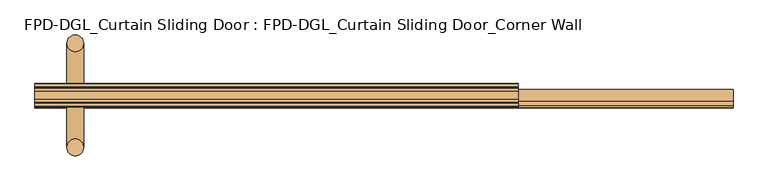
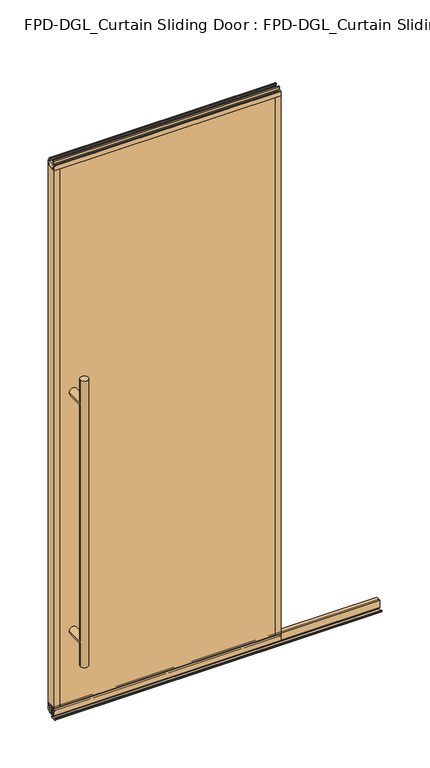
"""IFC4 building model written with IfcOpenShell, lengths in millimetres: door geometry, FPD-DGL_Curtain Sliding Door : FPD-DGL_Curtain Sliding Door_Corner Wall."""

from ifc_helpers import new_model, si_unit, point, frame, frame_2d, origin, place, context, project, spatial, polyline, circle_curve, ellipse_curve, trimmed, segment, composite_curve, outline, extrude, source, transform, mapped, element, save
from ifc_brep_helpers import plane_surface, cylinder_surface, advanced_brep


def fpd_dgl_curtain_sliding_door_fpd_dgl_curtain_sliding_door_3f9371f9(model_context):
    return source(origin(), model_context, "Body", "SolidModel", [
        advanced_brep(
        [(-364.33125, -28.778049, 1473.2), (-396.08125, -28.778049, 1473.2), (-364.33125, 168.4469566, 1473.2), (-396.08125, 168.4469566, 1473.2), (-364.33125, -28.778049, 254.0), (-396.08125, -28.778049, 254.0), (-364.33125, 168.4469566, 254.0), (-396.08125, 168.4469566, 254.0), (-364.33125, -28.778049, 1371.6), (-396.08125, -28.778049, 1371.6), (-396.08125, -28.778049, 355.6), (-364.33125, -28.778049, 355.6), (-364.33125, 168.4469566, 1371.6), (-364.33125, 168.4469566, 355.6), (-396.08125, 168.4469566, 355.6), (-396.08125, 168.4469566, 1371.6)],
        [
            (0, 1, circle_curve(frame((-380.20625, -28.778049, 1473.2), z_axis=(0.0, 0.0, 1.0), x_axis=(-1.0, 0.0, 0.0)), 15.875)),
            (1, 0, circle_curve(frame((-380.20625, -28.778049, 1473.2), z_axis=(0.0, 0.0, 1.0), x_axis=(-1.0, 0.0, 0.0)), 15.875)),
            (2, 3, circle_curve(frame((-380.20625, 168.4469566, 1473.2), z_axis=(0.0, 0.0, 1.0), x_axis=(-1.0, 0.0, 0.0)), 15.875)),
            (3, 2, circle_curve(frame((-380.20625, 168.4469566, 1473.2), z_axis=(0.0, 0.0, 1.0), x_axis=(-1.0, 0.0, 0.0)), 15.875)),
            (4, 5, circle_curve(frame((-380.20625, -28.778049, 254.0), z_axis=(0.0, 0.0, -1.0), x_axis=(-1.0, 0.0, 0.0)), 15.875)),
            (5, 4, circle_curve(frame((-380.20625, -28.778049, 254.0), z_axis=(0.0, 0.0, -1.0), x_axis=(-1.0, 0.0, 0.0)), 15.875)),
            (6, 7, circle_curve(frame((-380.20625, 168.4469566, 254.0), z_axis=(0.0, 0.0, -1.0), x_axis=(-1.0, 0.0, 0.0)), 15.875)),
            (7, 6, circle_curve(frame((-380.20625, 168.4469566, 254.0), z_axis=(0.0, 0.0, -1.0), x_axis=(-1.0, 0.0, 0.0)), 15.875)),
            (0, 8),
            (8, 9, ellipse_curve(frame((-380.20625, -28.778049, 1371.6), z_axis=(0.0, -0.7071067811865525, 0.7071067811865427), x_axis=(0.0, 0.7071067811865427, 0.7071067811865523)), 22.4506403, 15.875)),
            (9, 1),
            (5, 10),
            (10, 11, ellipse_curve(frame((-380.20625, -28.778049, 355.6), z_axis=(0.0, -0.7071067811865525, -0.7071067811865427), x_axis=(0.0, -0.7071067811865427, 0.7071067811865523)), 22.4506403, 15.875)),
            (11, 4),
            (8, 11),
            (11, 10, ellipse_curve(frame((-380.20625, -28.778049, 355.6), z_axis=(0.0, -0.7071067811865427, 0.7071067811865525), x_axis=(0.0, 0.7071067811865525, 0.7071067811865425)), 22.4506403, 15.875)),
            (10, 9),
            (9, 8, ellipse_curve(frame((-380.20625, -28.778049, 1371.6), z_axis=(0.0, -0.7071067811865427, -0.7071067811865525), x_axis=(0.0, -0.7071067811865525, 0.7071067811865425)), 22.4506403, 15.875)),
            (2, 12),
            (12, 13),
            (13, 6),
            (7, 14),
            (14, 15),
            (15, 3),
            (15, 12, ellipse_curve(frame((-380.20625, 168.4469566, 1371.6), z_axis=(0.0, 0.7071067811865427, 0.7071067811865525), x_axis=(0.0, -0.7071067811865525, 0.7071067811865425)), 22.4506403, 15.875)),
            (13, 14, ellipse_curve(frame((-380.20625, 168.4469566, 355.6), z_axis=(0.0, 0.7071067811865427, -0.7071067811865525), x_axis=(0.0, 0.7071067811865525, 0.7071067811865425)), 22.4506403, 15.875)),
            (12, 15, ellipse_curve(frame((-380.20625, 168.4469566, 1371.6), z_axis=(0.0, 0.7071067811865525, -0.7071067811865427), x_axis=(0.0, 0.7071067811865427, 0.7071067811865523)), 22.4506403, 15.875)),
            (14, 13, ellipse_curve(frame((-380.20625, 168.4469566, 355.6), z_axis=(0.0, 0.7071067811865525, 0.7071067811865427), x_axis=(0.0, -0.7071067811865427, 0.7071067811865523)), 22.4506403, 15.875)),
            (9, 15),
            (12, 8),
            (10, 14),
            (13, 11),
        ],
        [
            plane_surface(frame((-281.0988493, 69.85, 1473.2), z_axis=(0.0, 0.0, 1.0), x_axis=(0.0, -1.0, 0.0))),
            plane_surface(frame((-281.0988493, 69.85, 254.0), z_axis=(0.0, 0.0, -1.0), x_axis=(0.0, -1.0, 0.0))),
            cylinder_surface(frame((-380.20625, -28.778049, 1473.2), z_axis=(0.0, 0.0, 1.0), x_axis=(-1.0, 0.0, 0.0)), 15.875),
            cylinder_surface(frame((-380.20625, 168.4469566, 1473.2), z_axis=(0.0, 0.0, 1.0), x_axis=(-1.0, 0.0, 0.0)), 15.875),
            cylinder_surface(frame((-380.20625, 168.4469566, 1371.6), z_axis=(0.0, -1.0, 0.0), x_axis=(1.0, 0.0, 0.0)), 15.875),
            cylinder_surface(frame((-380.20625, 69.85, 355.6), z_axis=(0.0, -1.0, 0.0), x_axis=(1.0, 0.0, 0.0)), 15.875),
        ],
        [
            (0, [[1, 2]]),
            (0, [[3, 4]]),
            (1, [[5, 6]]),
            (1, [[7, 8]]),
            (2, [[-1, 9, 10, 11]]),
            (2, [[-6, 12, 13, 14]]),
            (2, [[15, 16, 17, 18]]),
            (2, [[-2, -11, -17, -12, -5, -14, -15, -9]]),
            (3, [[-3, 19, 20, 21, -8, 22, 23, 24]]),
            (3, [[-4, -24, 25, -19]]),
            (3, [[-7, -21, 26, -22]]),
            (3, [[-20, 27, -23, 28]]),
            (4, [[29, -27, 30, -18]]),
            (4, [[-29, -10, -30, -25]]),
            (5, [[31, -26, 32, -13]]),
            (5, [[-31, -16, -32, -28]]),
        ],
    ),
        extrude(outline(composite_curve([segment(trimmed(circle_curve(frame_2d((64.8685794, 1.1714386)), 1.1684), [point((66.0369794, 1.1714386))], [point((64.8685794, 0.0030387))], False, "CARTESIAN"), True, "CONTINUOUS"), segment(polyline([(64.8685794, 0.0030387), (47.1901797, 0.0030387)]), True, "CONTINUOUS"), segment(trimmed(circle_curve(frame_2d((47.1901797, 1.1714386)), 1.1684), [point((47.1901797, 0.0030387))], [point((46.0217797, 1.1714386))], False, "CARTESIAN"), True, "CONTINUOUS"), segment(polyline([(46.0217797, 1.1714386), (46.0217797, 4.0416386)]), True, "CONTINUOUS"), segment(trimmed(circle_curve(frame_2d((47.1901797, 4.0416386)), 1.1684), [point((46.0217797, 4.0416386))], [point((47.1901797, 5.2100386))], False, "CARTESIAN"), True, "CONTINUOUS"), segment(polyline([(47.1901797, 5.2100386), (49.7788569, 5.2100386), (49.7788569, 4.4232339), (46.7837797, 4.4232339), (46.7837797, 0.7650387), (65.2622794, 0.7650387), (65.2622794, 4.3138948), (62.5762294, 4.3138948), (62.5762294, 5.1338386), (65.2836188, 5.1338386)]), True, "CONTINUOUS"), segment(trimmed(circle_curve(frame_2d((64.8685794, 4.0416386)), 1.1684), [point((65.2836188, 5.1338386))], [point((66.0369794, 4.0416386))], False, "CARTESIAN"), True, "CONTINUOUS"), segment(polyline([(66.0369794, 4.0416386), (66.0369794, 1.1714386)]), True, "CONTINUOUS")], self_intersect=False)), frame((-456.40625, 0.0, 0.0), z_axis=(1.0, 0.0, 0.0), x_axis=(0.0, 1.0, 0.0)), (0.0, 0.0, 1.0), 1319.2125),
        extrude(outline(composite_curve([segment(polyline([(80.8146139, 41.6030387), (80.8146139, 11.6839647), (79.8146139, 11.6839647), (79.8146139, 33.5017657), (78.4247815, 33.5017657), (78.4247815, 34.3040626), (79.8146139, 34.3040626), (79.8146139, 35.6040627), (69.0146138, 35.6040627), (69.0146138, 34.3040626), (70.4044462, 34.3040626), (70.4044462, 33.5017657), (69.0146138, 33.5017657), (69.0146138, 11.6839647), (67.4146135, 11.6839647), (67.4146135, 39.1243868)]), True, "CONTINUOUS"), segment(trimmed(circle_curve(frame_2d((66.4357402, 39.1243868)), 0.9788733), [point((67.4146135, 39.1243868))], [point((66.4357402, 40.1032601))], True, "CARTESIAN"), True, "CONTINUOUS"), segment(polyline([(66.4357402, 40.1032601), (61.3469627, 40.1032601)]), True, "CONTINUOUS"), segment(trimmed(circle_curve(frame_2d((61.3469627, 39.1709995)), 0.9322606), [point((61.3469627, 40.1032601))], [point((60.414702, 39.1709995))], True, "CARTESIAN"), True, "CONTINUOUS"), segment(polyline([(60.414702, 39.1709995), (60.414702, 11.6839647), (58.9146141, 11.6839647), (58.9146141, 41.6030387), (80.8146139, 41.6030387)]), True, "CONTINUOUS")], self_intersect=False)), frame((-456.40625, 0.0, 0.0), z_axis=(1.0, 0.0, 0.0), x_axis=(0.0, 1.0, 0.0)), (0.0, 0.0, 1.0), 1319.2125),
        extrude(outline(composite_curve([segment(polyline([(55.5258097, 48.6471016), (84.1741903, 48.6471016), (84.1741903, 47.6299627), (82.8071771, 47.6299627), (82.8071771, 41.3613764)]), True, "CONTINUOUS"), segment(trimmed(circle_curve(frame_2d((85.122652, 41.3613764)), 2.3154748), [point((82.8071771, 41.3613764))], [point((85.122652, 39.0459016))], True, "CARTESIAN"), True, "CONTINUOUS"), segment(polyline([(85.122652, 39.0459016), (90.1103754, 39.0522555)]), True, "CONTINUOUS"), segment(trimmed(circle_curve(frame_2d((90.012177, 39.8079016)), 0.762), [point((90.1103754, 39.0522555))], [point((90.774177, 39.8079016))], True, "CARTESIAN"), True, "CONTINUOUS"), segment(polyline([(90.774177, 39.8079016), (90.774177, 48.6471016), (92.0741745, 48.6471016), (92.0741745, 19.0059017), (82.9527622, 19.0059017), (82.9527622, 15.875), (81.0484721, 15.875), (81.0484721, 47.0470737), (58.6515279, 47.0470737), (58.6515279, 15.875), (56.7472378, 15.875), (56.7472378, 19.0059017), (47.6258255, 19.0059017), (47.6258255, 48.6471016), (48.925823, 48.6471016), (48.925823, 39.8079016)]), True, "CONTINUOUS"), segment(trimmed(circle_curve(frame_2d((49.687823, 39.8079016)), 0.762), [point((48.925823, 39.8079016))], [point((49.5896246, 39.0522555))], True, "CARTESIAN"), True, "CONTINUOUS"), segment(polyline([(49.5896246, 39.0522555), (54.577348, 39.0459016)]), True, "CONTINUOUS"), segment(trimmed(circle_curve(frame_2d((54.577348, 41.3613764)), 2.3154748), [point((54.577348, 39.0459016))], [point((56.8928229, 41.3613764))], True, "CARTESIAN"), True, "CONTINUOUS"), segment(polyline([(56.8928229, 41.3613764), (56.8928229, 47.6299627), (55.5258097, 47.6299627), (55.5258097, 48.6471016)]), True, "CONTINUOUS")], self_intersect=False)), frame((-456.40625, 0.0, 0.0), z_axis=(1.0, 0.0, 0.0), x_axis=(0.0, 1.0, 0.0)), (0.0, 0.0, 1.0), 912.8125),
        extrude(outline(composite_curve([segment(polyline([(61.4500175, 2373.482105), (61.4500175, 2371.482109), (57.8500248, 2371.482109), (57.8500248, 2362.982126)]), True, "CONTINUOUS"), segment(trimmed(circle_curve(frame_2d((58.3500238, 2362.982126)), 0.499999), [point((57.8500248, 2362.982126))], [point((58.3500238, 2362.482127))], True, "CARTESIAN"), True, "CONTINUOUS"), segment(polyline([(58.3500238, 2362.482127), (81.3499762, 2362.482127)]), True, "CONTINUOUS"), segment(trimmed(circle_curve(frame_2d((81.3499762, 2362.982126)), 0.499999), [point((81.3499762, 2362.482127))], [point((81.8499752, 2362.982126))], True, "CARTESIAN"), True, "CONTINUOUS"), segment(polyline([(81.8499752, 2362.982126), (81.8499752, 2371.482109), (78.2499825, 2371.482109), (78.2499825, 2373.482105), (83.2546588, 2373.482105)]), True, "CONTINUOUS"), segment(trimmed(circle_curve(frame_2d((83.2546588, 2372.8867925)), 0.5953125), [point((83.2546588, 2373.482105))], [point((83.8499713, 2372.8867925))], False, "CARTESIAN"), True, "CONTINUOUS"), segment(polyline([(83.8499713, 2372.8867925), (83.8499713, 2361.5187908)]), True, "CONTINUOUS"), segment(trimmed(circle_curve(frame_2d((85.7690752, 2361.5187908)), 1.919104), [point((83.8499713, 2361.5187908))], [point((85.7690752, 2359.5996869))], True, "CARTESIAN"), True, "CONTINUOUS"), segment(polyline([(85.7690752, 2359.5996869), (91.2749567, 2359.5996869)]), True, "CONTINUOUS"), segment(trimmed(circle_curve(frame_2d((91.2749567, 2358.7996885)), 0.7999984), [point((91.2749567, 2359.5996869))], [point((92.0749551, 2358.7996885))], False, "CARTESIAN"), True, "CONTINUOUS"), segment(polyline([(92.0749551, 2358.7996885), (92.0749551, 2339.914687), (90.7749577, 2339.914687), (90.7749577, 2350.014667)]), True, "CONTINUOUS"), segment(trimmed(circle_curve(frame_2d((90.2749587, 2350.014667)), 0.499999), [point((90.7749577, 2350.014667))], [point((90.2749587, 2350.514666))], True, "CARTESIAN"), True, "CONTINUOUS"), segment(polyline([(90.2749587, 2350.514666), (84.1749714, 2350.514666), (84.1749714, 2339.914687), (55.5250289, 2339.914687), (55.5250289, 2350.514666), (49.4250413, 2350.514666)]), True, "CONTINUOUS"), segment(trimmed(circle_curve(frame_2d((49.4250413, 2350.014667)), 0.499999), [point((49.4250413, 2350.514666))], [point((48.9250423, 2350.014667))], True, "CARTESIAN"), True, "CONTINUOUS"), segment(polyline([(48.9250423, 2350.014667), (48.9250423, 2339.914687), (47.6250446, 2339.914687), (47.6250446, 2358.7996885)]), True, "CONTINUOUS"), segment(trimmed(circle_curve(frame_2d((48.4250432, 2358.7996885)), 0.7999985), [point((47.6250446, 2358.7996885))], [point((48.4250432, 2359.599687))], False, "CARTESIAN"), True, "CONTINUOUS"), segment(polyline([(48.4250432, 2359.599687), (53.9309248, 2359.599687)]), True, "CONTINUOUS"), segment(trimmed(circle_curve(frame_2d((53.9309248, 2361.518791)), 1.919104), [point((53.9309248, 2359.599687))], [point((55.8500287, 2361.518791))], True, "CARTESIAN"), True, "CONTINUOUS"), segment(polyline([(55.8500287, 2361.518791), (55.8500287, 2372.8867925)]), True, "CONTINUOUS"), segment(trimmed(circle_curve(frame_2d((56.4453412, 2372.8867925)), 0.5953125), [point((55.8500287, 2372.8867925))], [point((56.4453412, 2373.482105))], False, "CARTESIAN"), True, "CONTINUOUS"), segment(polyline([(56.4453412, 2373.482105), (61.4500175, 2373.482105)]), True, "CONTINUOUS")], self_intersect=False)), frame((-456.40625, 0.0, 0.0), z_axis=(1.0, 0.0, 0.0), x_axis=(0.0, 1.0, 0.0)), (0.0, 0.0, 1.0), 912.8125),
        extrude(outline(polyline([(446.4694011, 90.7765993), (446.4694011, 84.175), (-446.4694011, 84.175), (-446.4694011, 90.7765993), (446.4694011, 90.7765993)])), frame((0.0, 0.0, 39.1580021), z_axis=(0.0, 0.0, 1.0), x_axis=(1.0, 0.0, 0.0)), (0.0, 0.0, 1.0), 2311.0901216),
        extrude(outline(polyline([(-446.4694011, 55.525), (446.4694011, 55.525), (446.4694011, 48.9234007), (-446.4694011, 48.9234007), (-446.4694011, 55.525)])), frame((0.0, 0.0, 39.1580021), z_axis=(0.0, 0.0, 1.0), x_axis=(1.0, 0.0, 0.0)), (0.0, 0.0, 1.0), 2311.0901216),
        extrude(outline(composite_curve([segment(polyline([(-456.40625, 92.075), (-435.8694011, 92.075), (-435.8694011, 90.7765993), (-445.9614011, 90.7765993)]), True, "CONTINUOUS"), segment(trimmed(circle_curve(frame_2d((-445.9614011, 90.2685993)), 0.508), [point((-445.9614011, 90.7765993))], [point((-446.4694011, 90.2685993))], True, "CARTESIAN"), True, "CONTINUOUS"), segment(polyline([(-446.4694011, 90.2685993), (-446.4694011, 88.2904), (-447.6694009, 88.2904), (-447.6694009, 90.7702), (-454.6028499, 90.7702), (-454.6028499, 79.095198), (-447.6694009, 79.095198), (-447.6694009, 84.175), (-435.8694011, 84.175), (-435.8694011, 55.525), (-447.6694009, 55.525), (-447.6694009, 60.604802), (-454.6028499, 60.604802), (-454.6028499, 48.9298), (-447.6694009, 48.9298), (-447.6694009, 51.4096), (-446.4694011, 51.4096), (-446.4694011, 49.4525937)]), True, "CONTINUOUS"), segment(trimmed(circle_curve(frame_2d((-445.9402074, 49.4525937)), 0.5291937), [point((-446.4694011, 49.4525937))], [point((-445.9402074, 48.9234))], True, "CARTESIAN"), True, "CONTINUOUS"), segment(polyline([(-445.9402074, 48.9234), (-435.8694011, 48.9234), (-435.8694011, 47.625), (-456.40625, 47.625), (-456.40625, 92.075)]), True, "CONTINUOUS")], self_intersect=False)), frame((0.0, 0.0, 48.6471016), z_axis=(0.0, 0.0, 1.0), x_axis=(1.0, 0.0, 0.0)), (0.0, 0.0, 1.0), 2291.2675854),
        extrude(outline(composite_curve([segment(polyline([(456.40625, 92.075), (456.40625, 47.625), (435.869401, 47.625), (435.869401, 48.9234), (445.9402074, 48.9234)]), True, "CONTINUOUS"), segment(trimmed(circle_curve(frame_2d((445.9402074, 49.4525937)), 0.5291937), [point((445.9402074, 48.9234))], [point((446.4694011, 49.4525937))], True, "CARTESIAN"), True, "CONTINUOUS"), segment(polyline([(446.4694011, 49.4525937), (446.4694011, 51.4096), (447.6694009, 51.4096), (447.6694009, 48.9298), (454.6028499, 48.9298), (454.6028499, 60.604802), (447.6694009, 60.604802), (447.6694009, 55.525), (435.8694011, 55.525), (435.8694011, 84.175), (447.6694009, 84.175), (447.6694009, 79.095198), (454.6028499, 79.095198), (454.6028499, 90.7702), (447.6694009, 90.7702), (447.6694009, 88.2904), (446.4694011, 88.2904), (446.4694011, 90.2685993)]), True, "CONTINUOUS"), segment(trimmed(circle_curve(frame_2d((445.9614011, 90.2685993)), 0.508), [point((446.4694011, 90.2685993))], [point((445.9614011, 90.7765993))], True, "CARTESIAN"), True, "CONTINUOUS"), segment(polyline([(445.9614011, 90.7765993), (435.8694011, 90.7765993), (435.8694011, 92.075), (456.40625, 92.075)]), True, "CONTINUOUS")], self_intersect=False)), frame((0.0, 0.0, 48.6471016), z_axis=(0.0, 0.0, 1.0), x_axis=(1.0, 0.0, 0.0)), (0.0, 0.0, 1.0), 2291.2675854),
    ])


if __name__ == "__main__":
    model = new_model("IFC4")
    model_context = context("Model", 3, world=origin())
    ifc_project = project(units=[si_unit("LENGTHUNIT", "METRE", prefix="MILLI")], contexts=[model_context])
    site = spatial("IfcSite", under=ifc_project)
    building = spatial("IfcBuilding", under=site)
    placement = place(None, origin())
    fpd_dgl_curtain_sliding_door_fpd_dgl_curtain_sliding_door_shape = fpd_dgl_curtain_sliding_door_fpd_dgl_curtain_sliding_door_3f9371f9(model_context)
    element("IfcDoor", 1, ObjectType="FPD-DGL_Curtain Sliding Door : FPD-DGL_Curtain Sliding Door_Corner Wall", at=placement, inside=building, context=model_context, shape_type="MappedRepresentation", body=[
        mapped(fpd_dgl_curtain_sliding_door_fpd_dgl_curtain_sliding_door_shape, transform((0.0, 0.0, 0.0), x_axis=(1.0, 0.0, 0.0), y_axis=(0.0, 1.0, 0.0), z_axis=(0.0, 0.0, 1.0))),
    ])
    save(model, "model.ifc")
